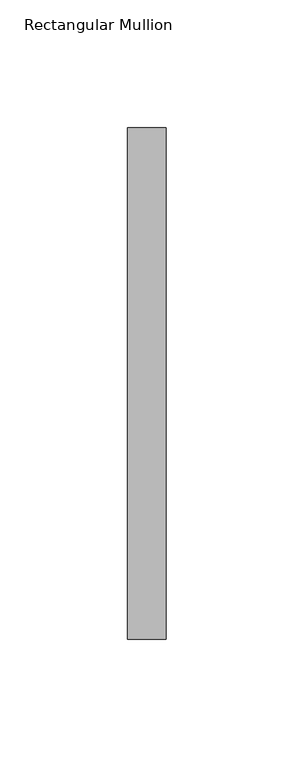
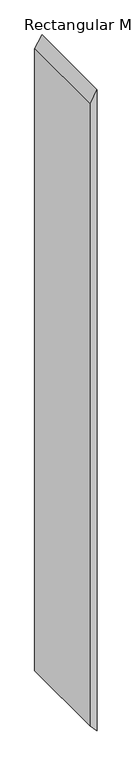
"""IFC4 building model written with IfcOpenShell, lengths in millimetres: member geometry, Rectangular Mullion."""

from ifc_helpers import new_model, si_unit, frame, origin, place, context, project, spatial, polyline, outline, extrude, source, transform, mapped, element, save


def rectangular_mullion_5c53d9db(model_context):
    return source(origin(), model_context, "Body", "SweptSolid", [
        extrude(outline(polyline([(0.0, 0.0), (-25.8748033, -15.0), (-1403.0179294, -15.0), (-1419.4279409, 0.0), (0.0, 0.0)])), frame((0.0, 53.0, 0.0), z_axis=(0.0, 1.0, 0.0), x_axis=(0.0, 0.0, 1.0)), (0.0, 0.0, 1.0), 200.0),
    ])


if __name__ == "__main__":
    model = new_model("IFC4")
    model_context = context("Model", 3, world=origin())
    ifc_project = project(units=[si_unit("LENGTHUNIT", "METRE", prefix="MILLI")], contexts=[model_context])
    site = spatial("IfcSite", under=ifc_project)
    building = spatial("IfcBuilding", under=site)
    placement = place(None, origin())
    rectangular_mullion_shape = rectangular_mullion_5c53d9db(model_context)
    element("IfcMember", 1, ObjectType="Rectangular Mullion", at=placement, inside=building, context=model_context, shape_type="MappedRepresentation", body=[
        mapped(rectangular_mullion_shape, transform((0.0, 0.0, 0.0), x_axis=(1.0, 0.0, 0.0), y_axis=(0.0, 1.0, 0.0), z_axis=(0.0, 0.0, 1.0))),
    ])
    save(model, "model.ifc")
